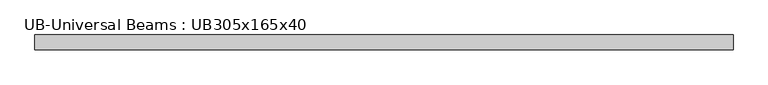
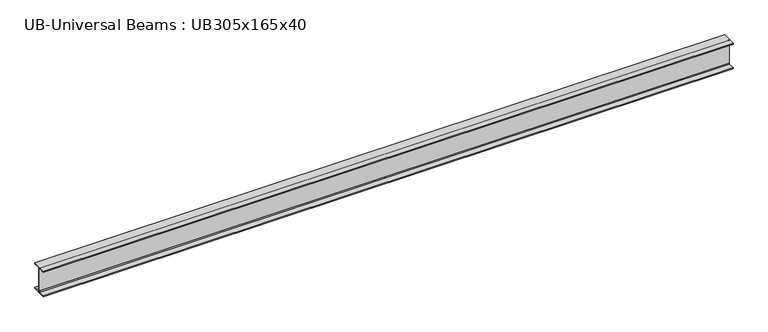
"""IFC4 building model written with IfcOpenShell, lengths in millimetres: beam geometry, UB-Universal Beams : UB305x165x40."""

from ifc_helpers import new_model, si_unit, point, frame, frame_2d, origin, place, context, project, spatial, polyline, circle_curve, trimmed, segment, composite_curve, outline, extrude, source, transform, mapped, element, save


def ub_universal_beams_ub305x165x40_8c4b2256(model_context):
    return source(origin(), model_context, "Body", "SweptSolid", [
        extrude(outline(composite_curve([segment(polyline([(82.5, -141.5), (82.5, -151.7), (-82.5, -151.7), (-82.5, -141.5), (-11.9, -141.5)]), True, "CONTINUOUS"), segment(trimmed(circle_curve(frame_2d((-11.9, -132.6)), 8.9), [point((-11.9, -141.5))], [point((-3.0, -132.6))], True, "CARTESIAN"), True, "CONTINUOUS"), segment(polyline([(-3.0, -132.6), (-3.0, 132.6)]), True, "CONTINUOUS"), segment(trimmed(circle_curve(frame_2d((-11.9, 132.6)), 8.9), [point((-3.0, 132.6))], [point((-11.9, 141.5))], True, "CARTESIAN"), True, "CONTINUOUS"), segment(polyline([(-11.9, 141.5), (-82.5, 141.5), (-82.5, 151.7), (82.5, 151.7), (82.5, 141.5), (11.9, 141.5)]), True, "CONTINUOUS"), segment(trimmed(circle_curve(frame_2d((11.9, 132.6)), 8.9), [point((11.9, 141.5))], [point((3.0, 132.6))], True, "CARTESIAN"), True, "CONTINUOUS"), segment(polyline([(3.0, 132.6), (3.0, -132.6)]), True, "CONTINUOUS"), segment(trimmed(circle_curve(frame_2d((11.9, -132.6)), 8.9), [point((3.0, -132.6))], [point((11.9, -141.5))], True, "CARTESIAN"), True, "CONTINUOUS"), segment(polyline([(11.9, -141.5), (82.5, -141.5)]), True, "CONTINUOUS")], self_intersect=False)), frame((-3804.8, 0.0, 0.0), z_axis=(1.0, 0.0, 0.0), x_axis=(0.0, 1.0, 0.0)), (0.0, 0.0, 1.0), 7787.3),
    ])


if __name__ == "__main__":
    model = new_model("IFC4")
    model_context = context("Model", 3, world=origin())
    ifc_project = project(units=[si_unit("LENGTHUNIT", "METRE", prefix="MILLI")], contexts=[model_context])
    site = spatial("IfcSite", under=ifc_project)
    building = spatial("IfcBuilding", under=site)
    placement = place(None, origin())
    ub_universal_beams_ub305x165x40_shape = ub_universal_beams_ub305x165x40_8c4b2256(model_context)
    element("IfcBeam", 1, ObjectType="UB-Universal Beams : UB305x165x40", at=placement, inside=building, context=model_context, shape_type="MappedRepresentation", body=[
        mapped(ub_universal_beams_ub305x165x40_shape, transform((0.0, 0.0, 0.0), x_axis=(1.0, 0.0, 0.0), y_axis=(0.0, 1.0, 0.0), z_axis=(0.0, 0.0, 1.0))),
    ])
    save(model, "model.ifc")
